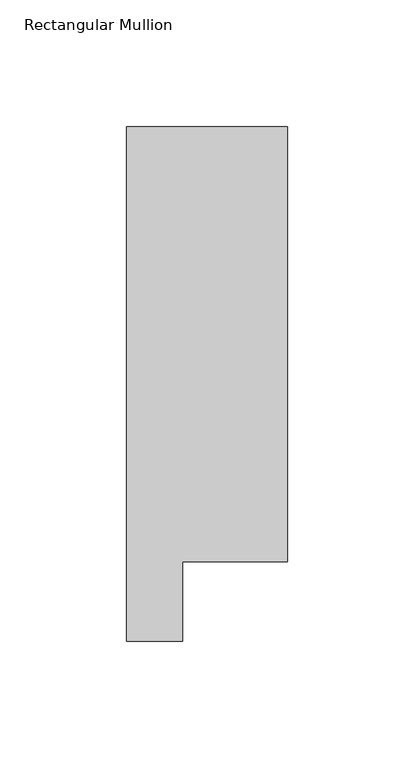
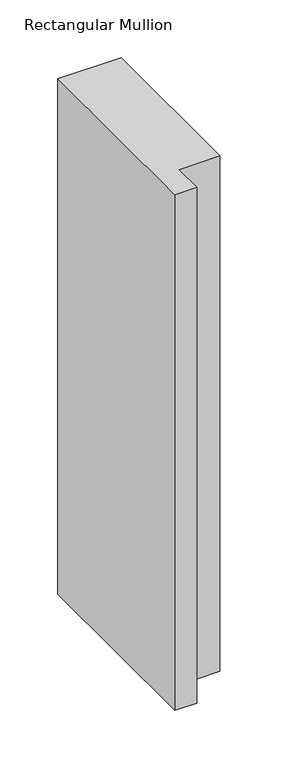
"""IFC4 building model written with IfcOpenShell, lengths in millimetres: member geometry, Rectangular Mullion."""

from ifc_helpers import new_model, si_unit, frame, origin, place, context, project, spatial, polyline, outline, extrude, source, transform, mapped, element, save


def rectangular_mullion_326c0ced(model_context):
    return source(origin(), model_context, "Body", "SweptSolid", [
        extrude(outline(polyline([(-63.4999996, 222.5381312), (-1e-07, 222.5381313), (-1e-07, 50.8091913), (-41.2877001, 50.8091913), (-41.2877001, 19.5556446), (-63.4999996, 19.5556446), (-63.4999996, 222.5381312)])), frame((0.0, 0.0, -546.0999996), z_axis=(0.0, 0.0, 1.0), x_axis=(1.0, 0.0, 0.0)), (0.0, 0.0, 1.0), 546.0999996),
    ])


if __name__ == "__main__":
    model = new_model("IFC4")
    model_context = context("Model", 3, world=origin())
    ifc_project = project(units=[si_unit("LENGTHUNIT", "METRE", prefix="MILLI")], contexts=[model_context])
    site = spatial("IfcSite", under=ifc_project)
    building = spatial("IfcBuilding", under=site)
    placement = place(None, origin())
    rectangular_mullion_shape = rectangular_mullion_326c0ced(model_context)
    element("IfcMember", 1, ObjectType="Rectangular Mullion", at=placement, inside=building, context=model_context, shape_type="MappedRepresentation", body=[
        mapped(rectangular_mullion_shape, transform((0.0, 0.0, 0.0), x_axis=(1.0, 0.0, 0.0), y_axis=(0.0, 1.0, 0.0), z_axis=(0.0, 0.0, 1.0))),
    ])
    save(model, "model.ifc")
